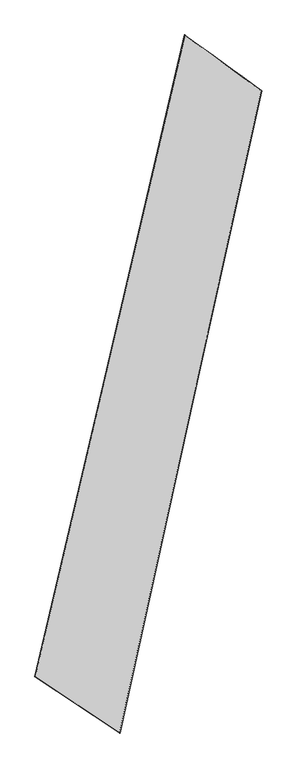
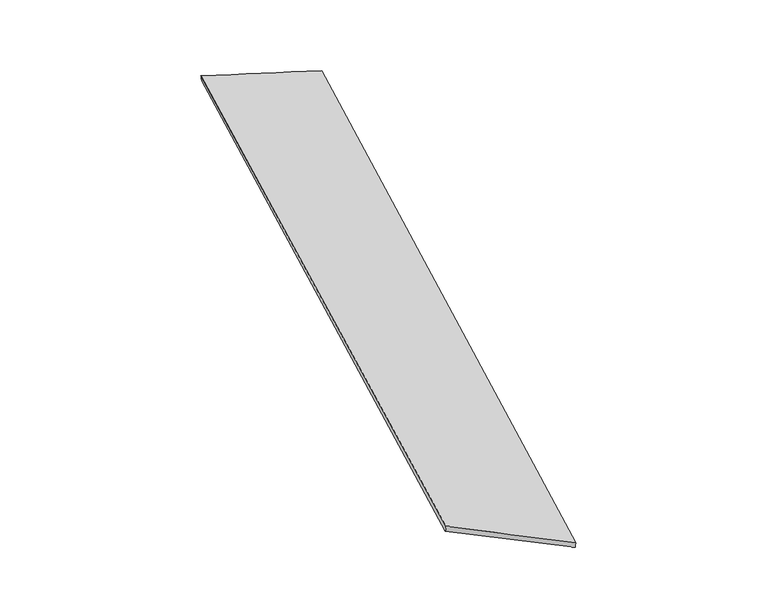
"""IFC4 building model written with IfcOpenShell, lengths in millimetres: proxy geometry."""

import ifcopenshell
import ifcopenshell.guid

model = None  # the IFC model being written
_history = None  # IfcOwnerHistory: only IFC2X3 demands one
_inside = {}  # id of a spatial element -> (the spatial element, [elements in it])
_under = {}  # id of a project, library or spatial element -> (it, [spatial elements below it])
_declared = {}  # id of a project -> (the project, [libraries it declares])
_typed = {}  # id of a type object -> (the type object, [elements of that type])
_made_of = {}  # id of a material, layer set ... -> (it, [elements and type objects made of it])


def new_model(schema):
    """Start an empty IFC model of exactly this schema.

    Asked for "IFC4X3", IfcOpenShell would pick the latest addendum, in which some entities
    have other attributes; the version numbers below select the first issue.
    IFC2X3 requires an IfcOwnerHistory on every rooted entity: one is made here for all.
    """
    global model, _history
    if schema == "IFC4X3":
        model = ifcopenshell.file(schema_version=(4, 3, 0, 0))
    else:
        model = ifcopenshell.file(schema=schema)
    _inside.clear()
    _under.clear()
    _declared.clear()
    _typed.clear()
    _made_of.clear()
    _history = None
    if model.schema == "IFC2X3":
        org = make("IfcOrganization", Name="unknown")
        user = make(
            "IfcPersonAndOrganization",
            ThePerson=make("IfcPerson", FamilyName="unknown"),
            TheOrganization=org,
        )
        app = make(
            "IfcApplication",
            ApplicationDeveloper=org,
            Version="unknown",
            ApplicationFullName="unknown",
            ApplicationIdentifier="unknown",
        )
        _history = make(
            "IfcOwnerHistory",
            OwningUser=user,
            OwningApplication=app,
            ChangeAction="ADDED",
            CreationDate=0,
        )
    return model


def make(cls, **values):
    """One entity of the class cls with the attributes given. An attribute that is None is left unset."""
    return model.create_entity(
        cls, **{name: value for name, value in values.items() if value is not None}
    )


def rooted(cls, **values):
    """An entity with a GlobalId (a new one), such as an element, a storey or a relation."""
    return make(cls, GlobalId=ifcopenshell.guid.new(), OwnerHistory=_history, **values)


def si_unit(unit_type, name, prefix=None):
    """IfcSIUnit, for example si_unit("LENGTHUNIT", "METRE", prefix="MILLI")."""
    return make("IfcSIUnit", UnitType=unit_type, Prefix=prefix, Name=name)


def assignment(units):
    """IfcUnitAssignment: the units of a project."""
    return None if units is None else make("IfcUnitAssignment", Units=units)


def point(xyz):
    """IfcCartesianPoint."""
    return None if xyz is None else make("IfcCartesianPoint", Coordinates=xyz)


def direction(xyz):
    """IfcDirection."""
    return None if xyz is None else make("IfcDirection", DirectionRatios=xyz)


def frame(location, z_axis=None, x_axis=None):
    """IfcAxis2Placement3D, a coordinate frame: its origin and axes. An axis left out is left unset."""
    return make(
        "IfcAxis2Placement3D",
        Location=point(location),
        Axis=direction(z_axis),
        RefDirection=direction(x_axis),
    )


def origin():
    """The frame at (0, 0, 0) with its axes left unset."""
    return frame((0.0, 0.0, 0.0))


def place(relative_to, where):
    """IfcLocalPlacement: puts the frame where relative to a parent placement (None: the world)."""
    return make(
        "IfcLocalPlacement", PlacementRelTo=relative_to, RelativePlacement=where
    )


def context(
    kind, dimensions, precision=None, world=None, true_north=None, identifier=None
):
    """IfcGeometricRepresentationContext, for example the 3D "Model" context."""
    return make(
        "IfcGeometricRepresentationContext",
        ContextIdentifier=identifier,
        ContextType=kind,
        CoordinateSpaceDimension=dimensions,
        Precision=precision,
        WorldCoordinateSystem=world,
        TrueNorth=true_north,
    )


def project(units=None, contexts=None):
    """IfcProject with its units and contexts."""
    return rooted(
        "IfcProject",
        Name="project",
        RepresentationContexts=contexts,
        UnitsInContext=assignment(units),
    )


def spatial(cls, under=None, at=None, **own):
    """A site, building, storey or space (cls), placed at a placement, below another one or the project."""
    s = rooted(cls, ObjectPlacement=at, **own)
    if under is not None:
        _under.setdefault(under.id(), (under, []))[1].append(s)
    return s


def shape(context_of_items, identifier, shape_type, items):
    """IfcShapeRepresentation: the items that make up one representation, for example the "Body"."""
    return make(
        "IfcShapeRepresentation",
        ContextOfItems=context_of_items,
        RepresentationIdentifier=identifier,
        RepresentationType=shape_type,
        Items=items,
    )


def source(mapping_origin, context_of_items, identifier, shape_type, items):
    """IfcRepresentationMap: a shape defined once, which mapped items show again and again."""
    return make(
        "IfcRepresentationMap",
        MappingOrigin=mapping_origin,
        MappedRepresentation=shape(context_of_items, identifier, shape_type, items),
    )


def transform(
    local_origin,
    x_axis=None,
    y_axis=None,
    z_axis=None,
    scale=None,
    scale2=None,
    scale3=None,
    uniform=True,
):
    """IfcCartesianTransformationOperator3D, or its non-uniform kind. x_axis, y_axis, z_axis: its Axis1, 2, 3."""
    if uniform:
        return make(
            "IfcCartesianTransformationOperator3D",
            Axis1=direction(x_axis),
            Axis2=direction(y_axis),
            LocalOrigin=point(local_origin),
            Scale=scale,
            Axis3=direction(z_axis),
        )
    return make(
        "IfcCartesianTransformationOperator3DnonUniform",
        Axis1=direction(x_axis),
        Axis2=direction(y_axis),
        LocalOrigin=point(local_origin),
        Scale=scale,
        Axis3=direction(z_axis),
        Scale2=scale2,
        Scale3=scale3,
    )


def mapped(mapping_source, mapping_target):
    """IfcMappedItem: shows the shape of a source again, moved by a transform."""
    return make(
        "IfcMappedItem", MappingSource=mapping_source, MappingTarget=mapping_target
    )


def made_of(thing, what):
    """Note that an element or type object is made of a material, layer set ...; save() writes the relation."""
    if what is not None:
        _made_of.setdefault(what.id(), (what, []))[1].append(thing)
    return thing


def element(
    cls,
    number,
    at=None,
    inside=None,
    cuts=None,
    type_object=None,
    material=None,
    context=None,
    identifier="Body",
    shape_type=None,
    held_by="IfcProductDefinitionShape",
    body=None,
    shapes=None,
    **own,
):
    """One element of the class cls, such as IfcWall. Its Tag is "e" and its number.

    at: its placement. inside: the storey or other place that contains it. cuts: it is an
    opening in that element (IfcRelVoidsElement). A single representation is given by context,
    identifier, shape_type and body (its items); several are given by shapes. held_by: the class
    of the entity that holds the representations. save() writes the other relations.
    """
    e = rooted(cls, Tag="e%d" % number, ObjectPlacement=at, **own)
    if body is not None:
        shapes = [shape(context, identifier, shape_type, body)]
    if shapes is not None:
        e.Representation = make(held_by, Representations=shapes)
    if inside is not None:
        _inside.setdefault(inside.id(), (inside, []))[1].append(e)
    if cuts is not None:
        rooted(
            "IfcRelVoidsElement", RelatingBuildingElement=cuts, RelatedOpeningElement=e
        )
    if type_object is not None:
        _typed.setdefault(type_object.id(), (type_object, []))[1].append(e)
    return made_of(e, material)


def aggregate(whole, parts):
    """IfcRelAggregates: a whole, such as a stair, and the parts it consists of."""
    return rooted("IfcRelAggregates", RelatingObject=whole, RelatedObjects=parts)


def save(model, path):
    """Write the relations noted so far, then the file.

    IfcRelAggregates (storeys below a building ...), IfcRelContainedInSpatialStructure (elements
    in a storey), IfcRelDefinesByType, IfcRelAssociatesMaterial and IfcRelDeclares: one each for
    every whole, place, type object, material and project.
    """
    for whole, parts in _under.values():
        aggregate(whole, parts)
    for where, things in _inside.values():
        rooted(
            "IfcRelContainedInSpatialStructure",
            RelatedElements=things,
            RelatingStructure=where,
        )
    for kind, things in _typed.values():
        rooted("IfcRelDefinesByType", RelatedObjects=things, RelatingType=kind)
    for what, things in _made_of.values():
        rooted("IfcRelAssociatesMaterial", RelatedObjects=things, RelatingMaterial=what)
    for by, libraries in _declared.values():
        rooted("IfcRelDeclares", RelatingContext=by, RelatedDefinitions=libraries)
    model.write(path)


def spline_surface(u_degree, v_degree, points, u_multiplicities, v_multiplicities, u_knots, v_knots, weights=None):
    """IfcBSplineSurfaceWithKnots; with weights, IfcRationalBSplineSurfaceWithKnots. points: one row for each step in u."""
    own = dict(
        UDegree=u_degree,
        VDegree=v_degree,
        ControlPointsList=[[point(p) for p in row] for row in points],
        SurfaceForm="UNSPECIFIED",
        UClosed=False,
        VClosed=False,
        SelfIntersect=False,
        UMultiplicities=u_multiplicities,
        VMultiplicities=v_multiplicities,
        UKnots=u_knots,
        VKnots=v_knots,
        KnotSpec="UNSPECIFIED",
    )
    if weights is None:
        return make("IfcBSplineSurfaceWithKnots", **own)
    return make("IfcRationalBSplineSurfaceWithKnots", WeightsData=weights, **own)


def advanced_brep(points, edges, surfaces, faces):
    """IfcAdvancedBrep: a solid bounded by faces that lie on surfaces and meet in shared edges.

    An edge is (start, end): straight between two places in points (the first is 0);
    or (start, end, curve); or (start, end, curve, False) where it runs against its curve.
    A face is (place in surfaces, loops), or (place, loops, False) where it looks against
    its surface's normal. A loop lists edges by number (the first is 1), with a minus sign
    where the edge is run from its end to its start. The first loop is the outer one.
    """
    corners = [point(p) for p in points]
    vertices = [make("IfcVertexPoint", VertexGeometry=c) for c in corners]
    made = []
    for start, end, *more in edges:
        made.append(
            make(
                "IfcEdgeCurve",
                EdgeStart=vertices[start],
                EdgeEnd=vertices[end],
                EdgeGeometry=more[0] if more else make("IfcPolyline", Points=[corners[start], corners[end]]),
                SameSense=more[1] if len(more) > 1 else True,
            )
        )
    hull = []
    for where, loops, *sense in faces:
        bounds = []
        for j, loop in enumerate(loops):
            ring = [make("IfcOrientedEdge", EdgeElement=made[abs(k) - 1], Orientation=k > 0) for k in loop]
            bounds.append(
                make(
                    "IfcFaceOuterBound" if j == 0 else "IfcFaceBound",
                    Bound=make("IfcEdgeLoop", EdgeList=ring),
                    Orientation=True,
                )
            )
        hull.append(make("IfcAdvancedFace", Bounds=bounds, FaceSurface=surfaces[where], SameSense=sense[0] if sense else True))
    return make("IfcAdvancedBrep", Outer=make("IfcClosedShell", CfsFaces=hull))


def generic_models_6dfea925(model_context):
    return source(origin(), model_context, "Body", "AdvancedBrep", [
        advanced_brep(
        [(-693.3566566, -1756.50353, 36.6411904), (-690.005651, -1756.7539498, 66.4523972), (302.6305688, 2508.7743602, -10.0945443), (305.9968412, 2507.4509744, -39.8756937), (-126.6655931, -2129.8202693, -7.1211655), (812.8146267, 2138.0685732, 69.7811886), (-130.0396081, -2128.533131, -36.9030273), (817.3994235, 2137.5856867, 40.1375306)],
        [
            (0, 1),
            (1, 2),
            (2, 3),
            (3, 0),
            (1, 4),
            (4, 5),
            (5, 2),
            (4, 6),
            (6, 7),
            (7, 5),
            (6, 0),
            (3, 7),
        ],
        [
            spline_surface(1, 1, [[(-693.3566566, -1756.50353, 36.6411904), (305.9968412, 2507.4509744, -39.8756937)], [(-690.005651, -1756.7539498, 66.4523972), (302.6305688, 2508.7743602, -10.0945443)]], [2, 2], [2, 2], [0.0, 1.0], [0.0, 1.0]),
            spline_surface(1, 1, [[(-690.005651, -1756.7539498, 66.4523972), (302.6305688, 2508.7743602, -10.0945443)], [(-126.6655931, -2129.8202693, -7.1211655), (812.8146267, 2138.0685732, 69.7811886)]], [2, 2], [2, 2], [0.0, 1.0], [0.0, 1.0]),
            spline_surface(1, 1, [[(-126.6655931, -2129.8202693, -7.1211655), (812.8146267, 2138.0685732, 69.7811886)], [(-130.0396081, -2128.533131, -36.9030273), (817.3994235, 2137.5856867, 40.1375306)]], [2, 2], [2, 2], [0.0, 1.0], [0.0, 1.0]),
            spline_surface(1, 1, [[(-130.0396081, -2128.533131, -36.9030273), (817.3994235, 2137.5856867, 40.1375306)], [(-693.3566566, -1756.50353, 36.6411904), (305.9968412, 2507.4509744, -39.8756937)]], [2, 2], [2, 2], [0.0, 1.0], [0.0, 1.0]),
            spline_surface(1, 1, [[(302.6305688, 2508.7743602, -10.0945443), (305.9968412, 2507.4509744, -39.8756937)], [(812.8146267, 2138.0685732, 69.7811886), (817.3994235, 2137.5856867, 40.1375306)]], [2, 2], [2, 2], [0.0, 1.0], [0.0, 1.0]),
            spline_surface(1, 1, [[(-130.0396081, -2128.533131, -36.9030273), (-693.3566566, -1756.50353, 36.6411904)], [(-126.6655931, -2129.8202693, -7.1211655), (-690.005651, -1756.7539498, 66.4523972)]], [2, 2], [2, 2], [0.0, 1.0], [0.0, 1.0]),
        ],
        [
            (0, [[1, 2, 3, 4]]),
            (1, [[5, 6, 7, -2]]),
            (2, [[8, 9, 10, -6]]),
            (3, [[11, -4, 12, -9]]),
            (4, [[-3, -7, -10, -12]]),
            (5, [[-11, -8, -5, -1]]),
        ],
    ),
    ])


if __name__ == "__main__":
    model = new_model("IFC4")
    model_context = context("Model", 3, world=origin())
    ifc_project = project(units=[si_unit("LENGTHUNIT", "METRE", prefix="MILLI")], contexts=[model_context])
    site = spatial("IfcSite", under=ifc_project)
    building = spatial("IfcBuilding", under=site)
    placement = place(None, origin())
    generic_models_shape = generic_models_6dfea925(model_context)
    element("IfcBuildingElementProxy", 1, Name="Generic Models", at=placement, inside=building, context=model_context, shape_type="MappedRepresentation", body=[
        mapped(generic_models_shape, transform((0.0, 0.0, 0.0), x_axis=(1.0, 0.0, 0.0), y_axis=(0.0, 1.0, 0.0), z_axis=(0.0, 0.0, 1.0))),
    ])
    save(model, "model.ifc")
